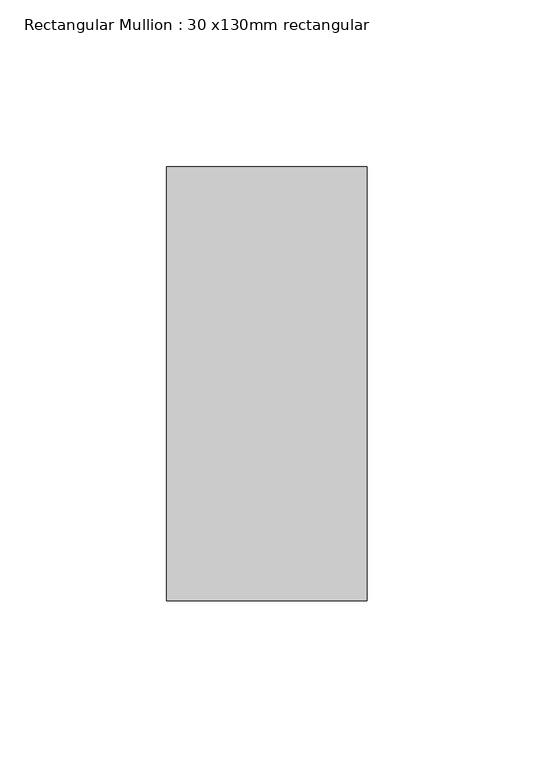
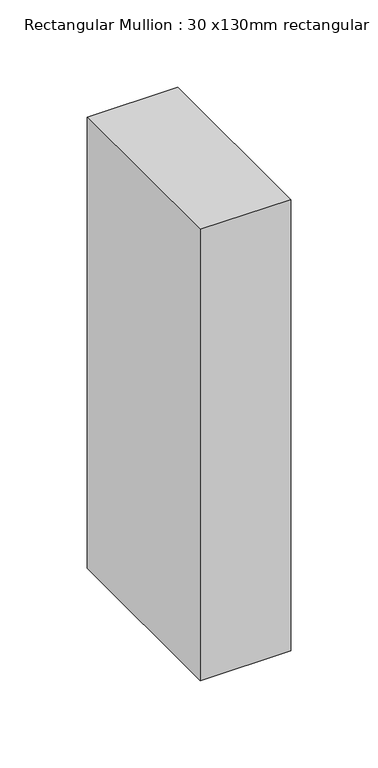
"""IFC4 building model written with IfcOpenShell, lengths in millimetres: member geometry, Rectangular Mullion : 30 x130mm rectangular."""

from ifc_helpers import new_model, si_unit, frame, origin, place, context, project, spatial, polyline, outline, extrude, source, transform, mapped, element, save


def rectangular_mullion_30_x130mm_rectangular_dd2d7517(model_context):
    return source(origin(), model_context, "Body", "SweptSolid", [
        extrude(outline(polyline([(0.0, 65.0), (0.0, -65.0), (-60.0, -65.0), (-60.0, 65.0), (0.0, 65.0)])), frame((0.0, 0.0, -316.4750757), z_axis=(0.0, 0.0, 1.0), x_axis=(1.0, 0.0, 0.0)), (0.0, 0.0, 1.0), 316.4750757),
    ])


if __name__ == "__main__":
    model = new_model("IFC4")
    model_context = context("Model", 3, world=origin())
    ifc_project = project(units=[si_unit("LENGTHUNIT", "METRE", prefix="MILLI")], contexts=[model_context])
    site = spatial("IfcSite", under=ifc_project)
    building = spatial("IfcBuilding", under=site)
    placement = place(None, origin())
    rectangular_mullion_30_x130mm_rectangular_shape = rectangular_mullion_30_x130mm_rectangular_dd2d7517(model_context)
    element("IfcMember", 1, ObjectType="Rectangular Mullion : 30 x130mm rectangular", at=placement, inside=building, context=model_context, shape_type="MappedRepresentation", body=[
        mapped(rectangular_mullion_30_x130mm_rectangular_shape, transform((0.0, 0.0, 0.0), x_axis=(1.0, 0.0, 0.0), y_axis=(0.0, 1.0, 0.0), z_axis=(0.0, 0.0, 1.0))),
    ])
    save(model, "model.ifc")
